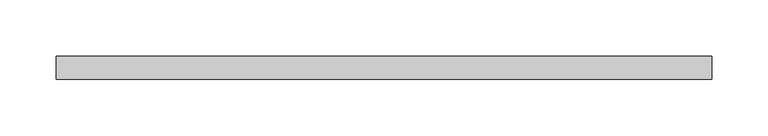
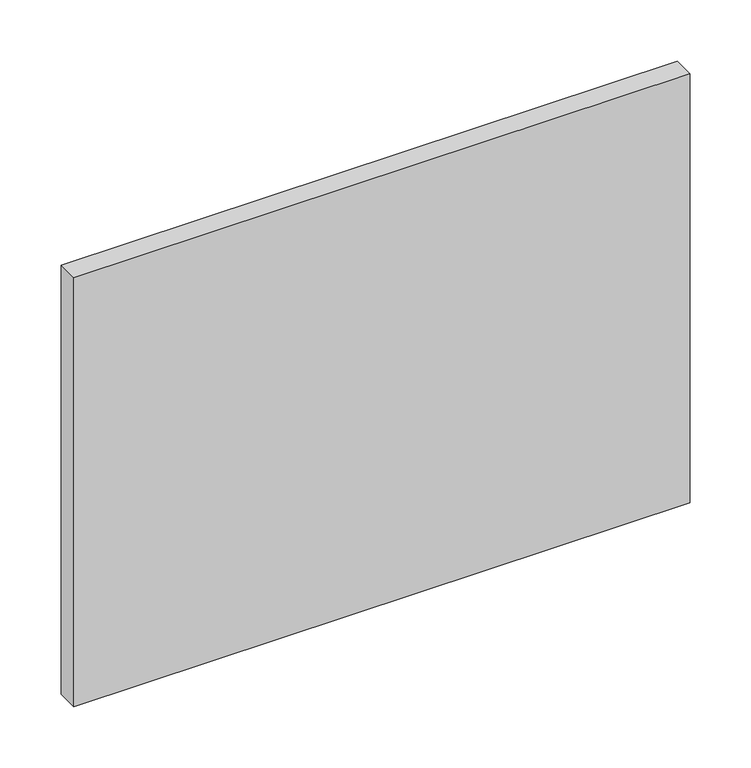
"""IFC4 building model written with IfcOpenShell, lengths in millimetres: plate geometry."""

from ifc_helpers import new_model, si_unit, origin, origin_with_axes, place, context, project, spatial, polyline, outline, extrude, source, transform, mapped, element, save


def plate_3c92dd22(model_context):
    return source(origin(), model_context, "Body", "SweptSolid", [
        extrude(outline(polyline([(290.0, 70.0), (-290.0, 70.0), (-290.0, 90.0), (290.0, 90.0), (290.0, 70.0)])), origin_with_axes(), (0.0, 0.0, 1.0), 426.7066473),
    ])


if __name__ == "__main__":
    model = new_model("IFC4")
    model_context = context("Model", 3, world=origin())
    ifc_project = project(units=[si_unit("LENGTHUNIT", "METRE", prefix="MILLI")], contexts=[model_context])
    site = spatial("IfcSite", under=ifc_project)
    building = spatial("IfcBuilding", under=site)
    placement = place(None, origin())
    plate_shape = plate_3c92dd22(model_context)
    element("IfcPlate", 1, at=placement, inside=building, context=model_context, shape_type="MappedRepresentation", body=[
        mapped(plate_shape, transform((0.0, 0.0, 0.0), x_axis=(1.0, 0.0, 0.0), y_axis=(0.0, 1.0, 0.0), z_axis=(0.0, 0.0, 1.0))),
    ])
    save(model, "model.ifc")
